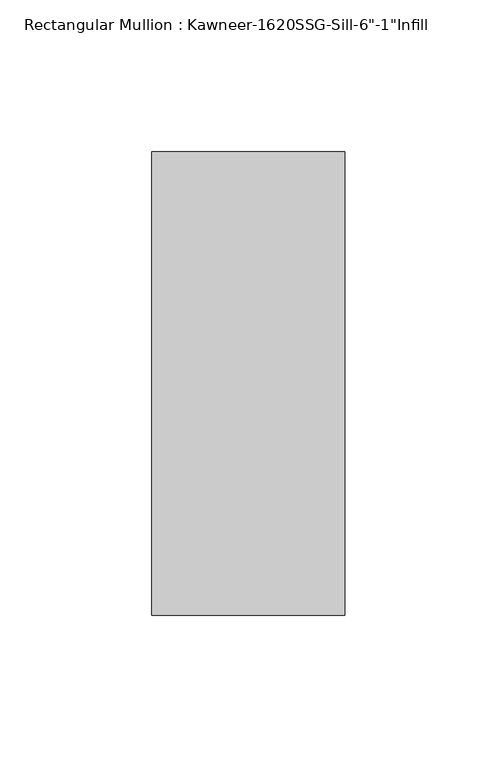
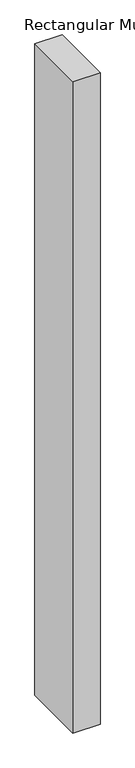
"""IFC4 building model written with IfcOpenShell, lengths in millimetres: member geometry."""

from ifc_helpers import new_model, si_unit, frame, origin, place, context, project, spatial, polyline, outline, extrude, source, transform, mapped, element, save


def member_1ff54122(model_context):
    return source(origin(), model_context, "Body", "SweptSolid", [
        extrude(outline(polyline([(-63.5, 38.1), (0.0, 38.1), (0.0, -114.3), (-63.5, -114.3), (-63.5, 38.1)])), frame((0.0, 0.0, -1601.0682369), z_axis=(0.0, 0.0, 1.0), x_axis=(1.0, 0.0, 0.0)), (0.0, 0.0, 1.0), 1601.0682369),
    ])


if __name__ == "__main__":
    model = new_model("IFC4")
    model_context = context("Model", 3, world=origin())
    ifc_project = project(units=[si_unit("LENGTHUNIT", "METRE", prefix="MILLI")], contexts=[model_context])
    site = spatial("IfcSite", under=ifc_project)
    building = spatial("IfcBuilding", under=site)
    placement = place(None, origin())
    member_shape = member_1ff54122(model_context)
    element("IfcMember", 1, ObjectType="Rectangular Mullion : Kawneer-1620SSG-Sill-6\"-1\"Infill", at=placement, inside=building, context=model_context, shape_type="MappedRepresentation", body=[
        mapped(member_shape, transform((0.0, 0.0, 0.0), x_axis=(1.0, 0.0, 0.0), y_axis=(0.0, 1.0, 0.0), z_axis=(0.0, 0.0, 1.0))),
    ])
    save(model, "model.ifc")
